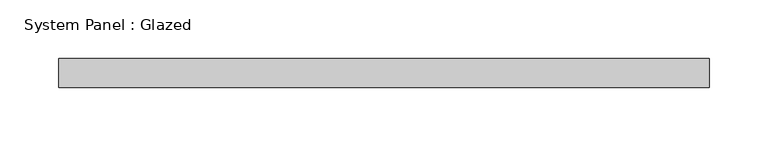
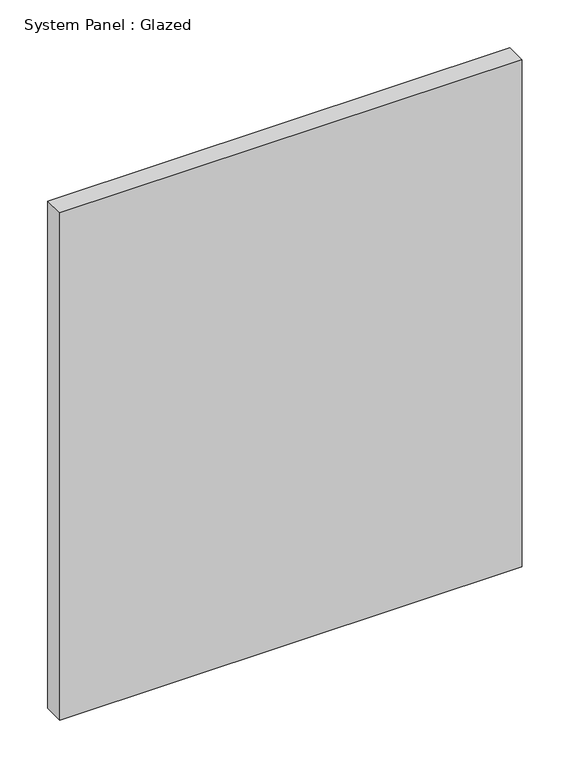
"""IFC4 building model written with IfcOpenShell, lengths in millimetres: plate geometry, System Panel : Glazed."""

import ifcopenshell
import ifcopenshell.guid

model = None  # the IFC model being written
_history = None  # IfcOwnerHistory: only IFC2X3 demands one
_inside = {}  # id of a spatial element -> (the spatial element, [elements in it])
_under = {}  # id of a project, library or spatial element -> (it, [spatial elements below it])
_declared = {}  # id of a project -> (the project, [libraries it declares])
_typed = {}  # id of a type object -> (the type object, [elements of that type])
_made_of = {}  # id of a material, layer set ... -> (it, [elements and type objects made of it])


def new_model(schema):
    """Start an empty IFC model of exactly this schema.

    Asked for "IFC4X3", IfcOpenShell would pick the latest addendum, in which some entities
    have other attributes; the version numbers below select the first issue.
    IFC2X3 requires an IfcOwnerHistory on every rooted entity: one is made here for all.
    """
    global model, _history
    if schema == "IFC4X3":
        model = ifcopenshell.file(schema_version=(4, 3, 0, 0))
    else:
        model = ifcopenshell.file(schema=schema)
    _inside.clear()
    _under.clear()
    _declared.clear()
    _typed.clear()
    _made_of.clear()
    _history = None
    if model.schema == "IFC2X3":
        org = make("IfcOrganization", Name="unknown")
        user = make(
            "IfcPersonAndOrganization",
            ThePerson=make("IfcPerson", FamilyName="unknown"),
            TheOrganization=org,
        )
        app = make(
            "IfcApplication",
            ApplicationDeveloper=org,
            Version="unknown",
            ApplicationFullName="unknown",
            ApplicationIdentifier="unknown",
        )
        _history = make(
            "IfcOwnerHistory",
            OwningUser=user,
            OwningApplication=app,
            ChangeAction="ADDED",
            CreationDate=0,
        )
    return model


def make(cls, **values):
    """One entity of the class cls with the attributes given. An attribute that is None is left unset."""
    return model.create_entity(
        cls, **{name: value for name, value in values.items() if value is not None}
    )


def rooted(cls, **values):
    """An entity with a GlobalId (a new one), such as an element, a storey or a relation."""
    return make(cls, GlobalId=ifcopenshell.guid.new(), OwnerHistory=_history, **values)


def si_unit(unit_type, name, prefix=None):
    """IfcSIUnit, for example si_unit("LENGTHUNIT", "METRE", prefix="MILLI")."""
    return make("IfcSIUnit", UnitType=unit_type, Prefix=prefix, Name=name)


def assignment(units):
    """IfcUnitAssignment: the units of a project."""
    return None if units is None else make("IfcUnitAssignment", Units=units)


def point(xyz):
    """IfcCartesianPoint."""
    return None if xyz is None else make("IfcCartesianPoint", Coordinates=xyz)


def direction(xyz):
    """IfcDirection."""
    return None if xyz is None else make("IfcDirection", DirectionRatios=xyz)


def frame(location, z_axis=None, x_axis=None):
    """IfcAxis2Placement3D, a coordinate frame: its origin and axes. An axis left out is left unset."""
    return make(
        "IfcAxis2Placement3D",
        Location=point(location),
        Axis=direction(z_axis),
        RefDirection=direction(x_axis),
    )


def origin():
    """The frame at (0, 0, 0) with its axes left unset."""
    return frame((0.0, 0.0, 0.0))


def origin_with_axes():
    """The frame at (0, 0, 0) with the z axis (0, 0, 1) and the x axis (1, 0, 0) written out."""
    return frame((0.0, 0.0, 0.0), z_axis=(0.0, 0.0, 1.0), x_axis=(1.0, 0.0, 0.0))


def place(relative_to, where):
    """IfcLocalPlacement: puts the frame where relative to a parent placement (None: the world)."""
    return make(
        "IfcLocalPlacement", PlacementRelTo=relative_to, RelativePlacement=where
    )


def context(
    kind, dimensions, precision=None, world=None, true_north=None, identifier=None
):
    """IfcGeometricRepresentationContext, for example the 3D "Model" context."""
    return make(
        "IfcGeometricRepresentationContext",
        ContextIdentifier=identifier,
        ContextType=kind,
        CoordinateSpaceDimension=dimensions,
        Precision=precision,
        WorldCoordinateSystem=world,
        TrueNorth=true_north,
    )


def project(units=None, contexts=None):
    """IfcProject with its units and contexts."""
    return rooted(
        "IfcProject",
        Name="project",
        RepresentationContexts=contexts,
        UnitsInContext=assignment(units),
    )


def spatial(cls, under=None, at=None, **own):
    """A site, building, storey or space (cls), placed at a placement, below another one or the project."""
    s = rooted(cls, ObjectPlacement=at, **own)
    if under is not None:
        _under.setdefault(under.id(), (under, []))[1].append(s)
    return s


def polyline(points):
    """IfcPolyline through the points."""
    return make("IfcPolyline", Points=[point(p) for p in points])


def outline(outer, holes=None, kind="AREA"):
    """IfcArbitraryClosedProfileDef: a profile drawn as a closed curve; with holes, ...WithVoids."""
    if holes is None:
        return make("IfcArbitraryClosedProfileDef", ProfileType=kind, OuterCurve=outer)
    return make(
        "IfcArbitraryProfileDefWithVoids",
        ProfileType=kind,
        OuterCurve=outer,
        InnerCurves=holes,
    )


def extrude(swept, where, along, depth):
    """IfcExtrudedAreaSolid: the profile swept, set in the frame where, extruded along a direction by depth."""
    return make(
        "IfcExtrudedAreaSolid",
        SweptArea=swept,
        Position=where,
        ExtrudedDirection=direction(along),
        Depth=depth,
    )


def shape(context_of_items, identifier, shape_type, items):
    """IfcShapeRepresentation: the items that make up one representation, for example the "Body"."""
    return make(
        "IfcShapeRepresentation",
        ContextOfItems=context_of_items,
        RepresentationIdentifier=identifier,
        RepresentationType=shape_type,
        Items=items,
    )


def source(mapping_origin, context_of_items, identifier, shape_type, items):
    """IfcRepresentationMap: a shape defined once, which mapped items show again and again."""
    return make(
        "IfcRepresentationMap",
        MappingOrigin=mapping_origin,
        MappedRepresentation=shape(context_of_items, identifier, shape_type, items),
    )


def transform(
    local_origin,
    x_axis=None,
    y_axis=None,
    z_axis=None,
    scale=None,
    scale2=None,
    scale3=None,
    uniform=True,
):
    """IfcCartesianTransformationOperator3D, or its non-uniform kind. x_axis, y_axis, z_axis: its Axis1, 2, 3."""
    if uniform:
        return make(
            "IfcCartesianTransformationOperator3D",
            Axis1=direction(x_axis),
            Axis2=direction(y_axis),
            LocalOrigin=point(local_origin),
            Scale=scale,
            Axis3=direction(z_axis),
        )
    return make(
        "IfcCartesianTransformationOperator3DnonUniform",
        Axis1=direction(x_axis),
        Axis2=direction(y_axis),
        LocalOrigin=point(local_origin),
        Scale=scale,
        Axis3=direction(z_axis),
        Scale2=scale2,
        Scale3=scale3,
    )


def mapped(mapping_source, mapping_target):
    """IfcMappedItem: shows the shape of a source again, moved by a transform."""
    return make(
        "IfcMappedItem", MappingSource=mapping_source, MappingTarget=mapping_target
    )


def made_of(thing, what):
    """Note that an element or type object is made of a material, layer set ...; save() writes the relation."""
    if what is not None:
        _made_of.setdefault(what.id(), (what, []))[1].append(thing)
    return thing


def element(
    cls,
    number,
    at=None,
    inside=None,
    cuts=None,
    type_object=None,
    material=None,
    context=None,
    identifier="Body",
    shape_type=None,
    held_by="IfcProductDefinitionShape",
    body=None,
    shapes=None,
    **own,
):
    """One element of the class cls, such as IfcWall. Its Tag is "e" and its number.

    at: its placement. inside: the storey or other place that contains it. cuts: it is an
    opening in that element (IfcRelVoidsElement). A single representation is given by context,
    identifier, shape_type and body (its items); several are given by shapes. held_by: the class
    of the entity that holds the representations. save() writes the other relations.
    """
    e = rooted(cls, Tag="e%d" % number, ObjectPlacement=at, **own)
    if body is not None:
        shapes = [shape(context, identifier, shape_type, body)]
    if shapes is not None:
        e.Representation = make(held_by, Representations=shapes)
    if inside is not None:
        _inside.setdefault(inside.id(), (inside, []))[1].append(e)
    if cuts is not None:
        rooted(
            "IfcRelVoidsElement", RelatingBuildingElement=cuts, RelatedOpeningElement=e
        )
    if type_object is not None:
        _typed.setdefault(type_object.id(), (type_object, []))[1].append(e)
    return made_of(e, material)


def aggregate(whole, parts):
    """IfcRelAggregates: a whole, such as a stair, and the parts it consists of."""
    return rooted("IfcRelAggregates", RelatingObject=whole, RelatedObjects=parts)


def save(model, path):
    """Write the relations noted so far, then the file.

    IfcRelAggregates (storeys below a building ...), IfcRelContainedInSpatialStructure (elements
    in a storey), IfcRelDefinesByType, IfcRelAssociatesMaterial and IfcRelDeclares: one each for
    every whole, place, type object, material and project.
    """
    for whole, parts in _under.values():
        aggregate(whole, parts)
    for where, things in _inside.values():
        rooted(
            "IfcRelContainedInSpatialStructure",
            RelatedElements=things,
            RelatingStructure=where,
        )
    for kind, things in _typed.values():
        rooted("IfcRelDefinesByType", RelatedObjects=things, RelatingType=kind)
    for what, things in _made_of.values():
        rooted("IfcRelAssociatesMaterial", RelatedObjects=things, RelatingMaterial=what)
    for by, libraries in _declared.values():
        rooted("IfcRelDeclares", RelatingContext=by, RelatedDefinitions=libraries)
    model.write(path)


def system_panel_glazed_04eea19a(model_context):
    return source(origin(), model_context, "Body", "SweptSolid", [
        extrude(outline(polyline([(278.0, 24.5), (-278.0, 24.5), (-278.0, 49.5), (278.0, 49.5), (278.0, 24.5)])), origin_with_axes(), (0.0, 0.0, 1.0), 645.0),
    ])


if __name__ == "__main__":
    model = new_model("IFC4")
    model_context = context("Model", 3, world=origin())
    ifc_project = project(units=[si_unit("LENGTHUNIT", "METRE", prefix="MILLI")], contexts=[model_context])
    site = spatial("IfcSite", under=ifc_project)
    building = spatial("IfcBuilding", under=site)
    placement = place(None, origin())
    system_panel_glazed_shape = system_panel_glazed_04eea19a(model_context)
    element("IfcPlate", 1, ObjectType="System Panel : Glazed", at=placement, inside=building, context=model_context, shape_type="MappedRepresentation", body=[
        mapped(system_panel_glazed_shape, transform((0.0, 0.0, 0.0), x_axis=(1.0, 0.0, 0.0), y_axis=(0.0, 1.0, 0.0), z_axis=(0.0, 0.0, 1.0))),
    ])
    save(model, "model.ifc")
